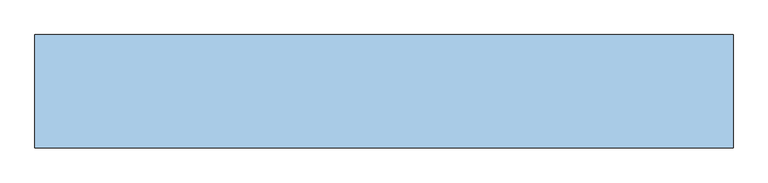
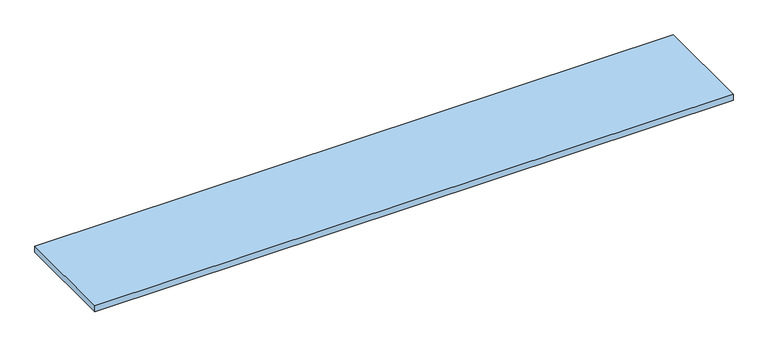
"""IFC4 building model written with IfcOpenShell, lengths in millimetres: window geometry."""

from ifc_helpers import new_model, si_unit, origin, origin_with_axes, place, context, project, spatial, polyline, outline, extrude, source, transform, mapped, element, save


def window_1bbde263(model_context):
    return source(origin(), model_context, "Body", "SweptSolid", [
        extrude(outline(polyline([(1045.0, 0.0), (-1045.0, 0.0), (-1045.0, 340.0), (1045.0, 340.0), (1045.0, 0.0)])), origin_with_axes(), (0.0, 0.0, 1.0), 20.0),
    ])


if __name__ == "__main__":
    model = new_model("IFC4")
    model_context = context("Model", 3, world=origin())
    ifc_project = project(units=[si_unit("LENGTHUNIT", "METRE", prefix="MILLI")], contexts=[model_context])
    site = spatial("IfcSite", under=ifc_project)
    building = spatial("IfcBuilding", under=site)
    placement = place(None, origin())
    window_shape = window_1bbde263(model_context)
    element("IfcWindow", 1, at=placement, inside=building, context=model_context, shape_type="MappedRepresentation", body=[
        mapped(window_shape, transform((0.0, 0.0, 0.0), x_axis=(1.0, 0.0, 0.0), y_axis=(0.0, 1.0, 0.0), z_axis=(0.0, 0.0, 1.0))),
    ])
    save(model, "model.ifc")
